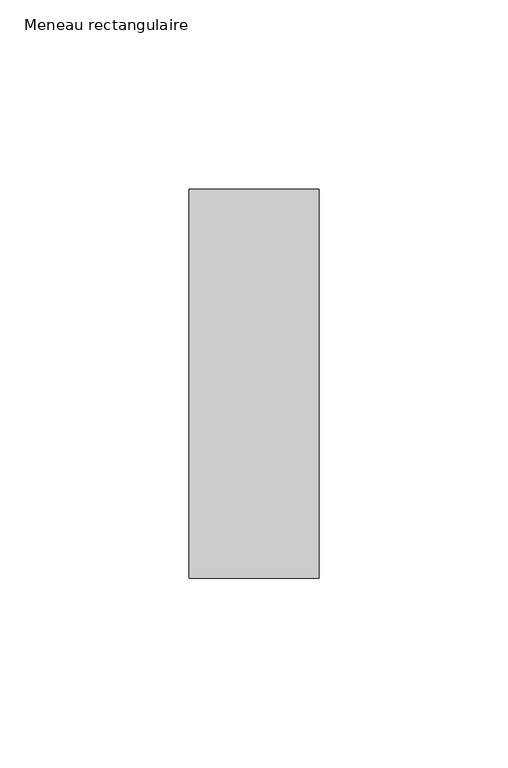
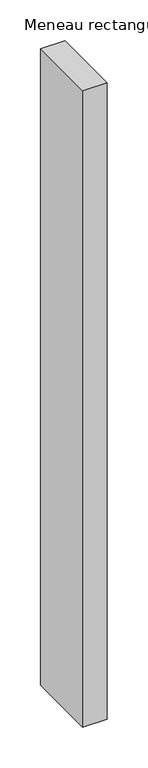
"""IFC4 building model written with IfcOpenShell, lengths in millimetres: member geometry, Meneau rectangulaire."""

from ifc_helpers import new_model, si_unit, frame, origin, place, context, project, spatial, polyline, outline, extrude, source, transform, mapped, element, save


def meneau_rectangulaire_e188c966(model_context):
    return source(origin(), model_context, "Body", "SweptSolid", [
        extrude(outline(polyline([(0.0, 51.5), (0.0, -51.5), (-34.5, -51.5), (-34.5, 51.5), (0.0, 51.5)])), frame((0.0, 0.0, -952.3373825), z_axis=(0.0, 0.0, 1.0), x_axis=(1.0, 0.0, 0.0)), (0.0, 0.0, 1.0), 952.3373825),
    ])


if __name__ == "__main__":
    model = new_model("IFC4")
    model_context = context("Model", 3, world=origin())
    ifc_project = project(units=[si_unit("LENGTHUNIT", "METRE", prefix="MILLI")], contexts=[model_context])
    site = spatial("IfcSite", under=ifc_project)
    building = spatial("IfcBuilding", under=site)
    placement = place(None, origin())
    meneau_rectangulaire_shape = meneau_rectangulaire_e188c966(model_context)
    element("IfcMember", 1, ObjectType="Meneau rectangulaire", at=placement, inside=building, context=model_context, shape_type="MappedRepresentation", body=[
        mapped(meneau_rectangulaire_shape, transform((0.0, 0.0, 0.0), x_axis=(1.0, 0.0, 0.0), y_axis=(0.0, 1.0, 0.0), z_axis=(0.0, 0.0, 1.0))),
    ])
    save(model, "model.ifc")
